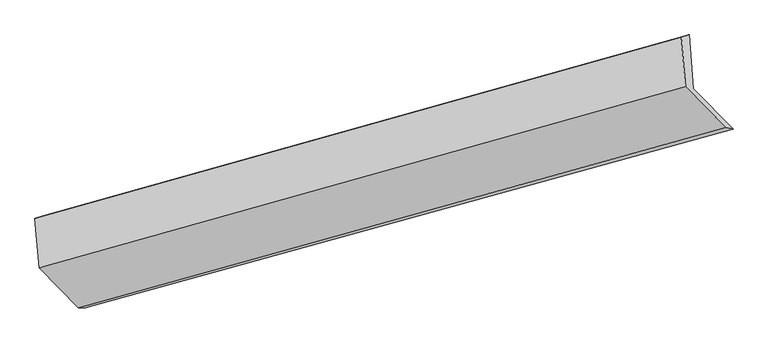
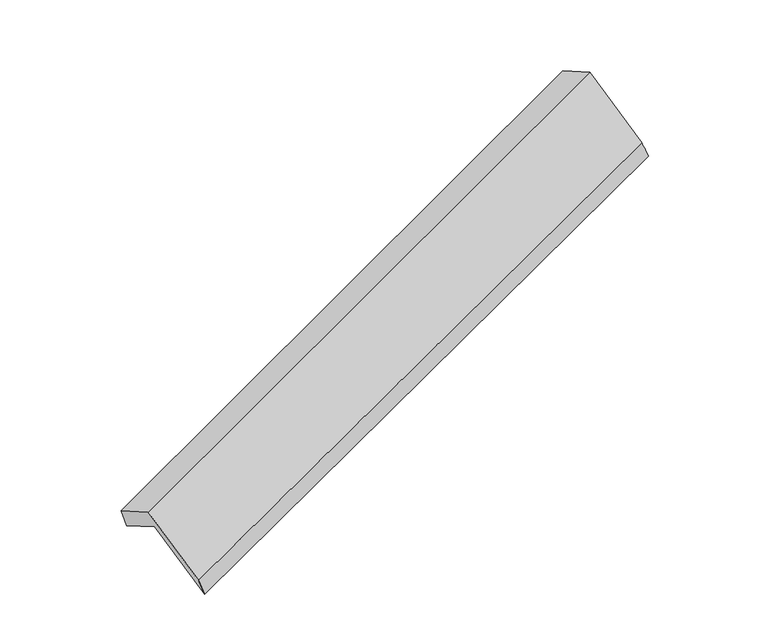
"""IFC4 building model written with IfcOpenShell, lengths in millimetres: proxy geometry."""

import ifcopenshell
import ifcopenshell.guid

model = None  # the IFC model being written
_history = None  # IfcOwnerHistory: only IFC2X3 demands one
_inside = {}  # id of a spatial element -> (the spatial element, [elements in it])
_under = {}  # id of a project, library or spatial element -> (it, [spatial elements below it])
_declared = {}  # id of a project -> (the project, [libraries it declares])
_typed = {}  # id of a type object -> (the type object, [elements of that type])
_made_of = {}  # id of a material, layer set ... -> (it, [elements and type objects made of it])


def new_model(schema):
    """Start an empty IFC model of exactly this schema.

    Asked for "IFC4X3", IfcOpenShell would pick the latest addendum, in which some entities
    have other attributes; the version numbers below select the first issue.
    IFC2X3 requires an IfcOwnerHistory on every rooted entity: one is made here for all.
    """
    global model, _history
    if schema == "IFC4X3":
        model = ifcopenshell.file(schema_version=(4, 3, 0, 0))
    else:
        model = ifcopenshell.file(schema=schema)
    _inside.clear()
    _under.clear()
    _declared.clear()
    _typed.clear()
    _made_of.clear()
    _history = None
    if model.schema == "IFC2X3":
        org = make("IfcOrganization", Name="unknown")
        user = make(
            "IfcPersonAndOrganization",
            ThePerson=make("IfcPerson", FamilyName="unknown"),
            TheOrganization=org,
        )
        app = make(
            "IfcApplication",
            ApplicationDeveloper=org,
            Version="unknown",
            ApplicationFullName="unknown",
            ApplicationIdentifier="unknown",
        )
        _history = make(
            "IfcOwnerHistory",
            OwningUser=user,
            OwningApplication=app,
            ChangeAction="ADDED",
            CreationDate=0,
        )
    return model


def make(cls, **values):
    """One entity of the class cls with the attributes given. An attribute that is None is left unset."""
    return model.create_entity(
        cls, **{name: value for name, value in values.items() if value is not None}
    )


def rooted(cls, **values):
    """An entity with a GlobalId (a new one), such as an element, a storey or a relation."""
    return make(cls, GlobalId=ifcopenshell.guid.new(), OwnerHistory=_history, **values)


def si_unit(unit_type, name, prefix=None):
    """IfcSIUnit, for example si_unit("LENGTHUNIT", "METRE", prefix="MILLI")."""
    return make("IfcSIUnit", UnitType=unit_type, Prefix=prefix, Name=name)


def assignment(units):
    """IfcUnitAssignment: the units of a project."""
    return None if units is None else make("IfcUnitAssignment", Units=units)


def point(xyz):
    """IfcCartesianPoint."""
    return None if xyz is None else make("IfcCartesianPoint", Coordinates=xyz)


def direction(xyz):
    """IfcDirection."""
    return None if xyz is None else make("IfcDirection", DirectionRatios=xyz)


def frame(location, z_axis=None, x_axis=None):
    """IfcAxis2Placement3D, a coordinate frame: its origin and axes. An axis left out is left unset."""
    return make(
        "IfcAxis2Placement3D",
        Location=point(location),
        Axis=direction(z_axis),
        RefDirection=direction(x_axis),
    )


def origin():
    """The frame at (0, 0, 0) with its axes left unset."""
    return frame((0.0, 0.0, 0.0))


def place(relative_to, where):
    """IfcLocalPlacement: puts the frame where relative to a parent placement (None: the world)."""
    return make(
        "IfcLocalPlacement", PlacementRelTo=relative_to, RelativePlacement=where
    )


def context(
    kind, dimensions, precision=None, world=None, true_north=None, identifier=None
):
    """IfcGeometricRepresentationContext, for example the 3D "Model" context."""
    return make(
        "IfcGeometricRepresentationContext",
        ContextIdentifier=identifier,
        ContextType=kind,
        CoordinateSpaceDimension=dimensions,
        Precision=precision,
        WorldCoordinateSystem=world,
        TrueNorth=true_north,
    )


def project(units=None, contexts=None):
    """IfcProject with its units and contexts."""
    return rooted(
        "IfcProject",
        Name="project",
        RepresentationContexts=contexts,
        UnitsInContext=assignment(units),
    )


def spatial(cls, under=None, at=None, **own):
    """A site, building, storey or space (cls), placed at a placement, below another one or the project."""
    s = rooted(cls, ObjectPlacement=at, **own)
    if under is not None:
        _under.setdefault(under.id(), (under, []))[1].append(s)
    return s


def shape(context_of_items, identifier, shape_type, items):
    """IfcShapeRepresentation: the items that make up one representation, for example the "Body"."""
    return make(
        "IfcShapeRepresentation",
        ContextOfItems=context_of_items,
        RepresentationIdentifier=identifier,
        RepresentationType=shape_type,
        Items=items,
    )


def source(mapping_origin, context_of_items, identifier, shape_type, items):
    """IfcRepresentationMap: a shape defined once, which mapped items show again and again."""
    return make(
        "IfcRepresentationMap",
        MappingOrigin=mapping_origin,
        MappedRepresentation=shape(context_of_items, identifier, shape_type, items),
    )


def transform(
    local_origin,
    x_axis=None,
    y_axis=None,
    z_axis=None,
    scale=None,
    scale2=None,
    scale3=None,
    uniform=True,
):
    """IfcCartesianTransformationOperator3D, or its non-uniform kind. x_axis, y_axis, z_axis: its Axis1, 2, 3."""
    if uniform:
        return make(
            "IfcCartesianTransformationOperator3D",
            Axis1=direction(x_axis),
            Axis2=direction(y_axis),
            LocalOrigin=point(local_origin),
            Scale=scale,
            Axis3=direction(z_axis),
        )
    return make(
        "IfcCartesianTransformationOperator3DnonUniform",
        Axis1=direction(x_axis),
        Axis2=direction(y_axis),
        LocalOrigin=point(local_origin),
        Scale=scale,
        Axis3=direction(z_axis),
        Scale2=scale2,
        Scale3=scale3,
    )


def mapped(mapping_source, mapping_target):
    """IfcMappedItem: shows the shape of a source again, moved by a transform."""
    return make(
        "IfcMappedItem", MappingSource=mapping_source, MappingTarget=mapping_target
    )


def made_of(thing, what):
    """Note that an element or type object is made of a material, layer set ...; save() writes the relation."""
    if what is not None:
        _made_of.setdefault(what.id(), (what, []))[1].append(thing)
    return thing


def element(
    cls,
    number,
    at=None,
    inside=None,
    cuts=None,
    type_object=None,
    material=None,
    context=None,
    identifier="Body",
    shape_type=None,
    held_by="IfcProductDefinitionShape",
    body=None,
    shapes=None,
    **own,
):
    """One element of the class cls, such as IfcWall. Its Tag is "e" and its number.

    at: its placement. inside: the storey or other place that contains it. cuts: it is an
    opening in that element (IfcRelVoidsElement). A single representation is given by context,
    identifier, shape_type and body (its items); several are given by shapes. held_by: the class
    of the entity that holds the representations. save() writes the other relations.
    """
    e = rooted(cls, Tag="e%d" % number, ObjectPlacement=at, **own)
    if body is not None:
        shapes = [shape(context, identifier, shape_type, body)]
    if shapes is not None:
        e.Representation = make(held_by, Representations=shapes)
    if inside is not None:
        _inside.setdefault(inside.id(), (inside, []))[1].append(e)
    if cuts is not None:
        rooted(
            "IfcRelVoidsElement", RelatingBuildingElement=cuts, RelatedOpeningElement=e
        )
    if type_object is not None:
        _typed.setdefault(type_object.id(), (type_object, []))[1].append(e)
    return made_of(e, material)


def aggregate(whole, parts):
    """IfcRelAggregates: a whole, such as a stair, and the parts it consists of."""
    return rooted("IfcRelAggregates", RelatingObject=whole, RelatedObjects=parts)


def save(model, path):
    """Write the relations noted so far, then the file.

    IfcRelAggregates (storeys below a building ...), IfcRelContainedInSpatialStructure (elements
    in a storey), IfcRelDefinesByType, IfcRelAssociatesMaterial and IfcRelDeclares: one each for
    every whole, place, type object, material and project.
    """
    for whole, parts in _under.values():
        aggregate(whole, parts)
    for where, things in _inside.values():
        rooted(
            "IfcRelContainedInSpatialStructure",
            RelatedElements=things,
            RelatingStructure=where,
        )
    for kind, things in _typed.values():
        rooted("IfcRelDefinesByType", RelatedObjects=things, RelatingType=kind)
    for what, things in _made_of.values():
        rooted("IfcRelAssociatesMaterial", RelatedObjects=things, RelatingMaterial=what)
    for by, libraries in _declared.values():
        rooted("IfcRelDeclares", RelatingContext=by, RelatedDefinitions=libraries)
    model.write(path)


def plane_surface(at):
    """IfcPlane: the flat surface through the origin of the frame at, square to its z axis."""
    return make("IfcPlane", Position=at)


def spline_surface(u_degree, v_degree, points, u_multiplicities, v_multiplicities, u_knots, v_knots, weights=None):
    """IfcBSplineSurfaceWithKnots; with weights, IfcRationalBSplineSurfaceWithKnots. points: one row for each step in u."""
    own = dict(
        UDegree=u_degree,
        VDegree=v_degree,
        ControlPointsList=[[point(p) for p in row] for row in points],
        SurfaceForm="UNSPECIFIED",
        UClosed=False,
        VClosed=False,
        SelfIntersect=False,
        UMultiplicities=u_multiplicities,
        VMultiplicities=v_multiplicities,
        UKnots=u_knots,
        VKnots=v_knots,
        KnotSpec="UNSPECIFIED",
    )
    if weights is None:
        return make("IfcBSplineSurfaceWithKnots", **own)
    return make("IfcRationalBSplineSurfaceWithKnots", WeightsData=weights, **own)


def advanced_brep(points, edges, surfaces, faces):
    """IfcAdvancedBrep: a solid bounded by faces that lie on surfaces and meet in shared edges.

    An edge is (start, end): straight between two places in points (the first is 0);
    or (start, end, curve); or (start, end, curve, False) where it runs against its curve.
    A face is (place in surfaces, loops), or (place, loops, False) where it looks against
    its surface's normal. A loop lists edges by number (the first is 1), with a minus sign
    where the edge is run from its end to its start. The first loop is the outer one.
    """
    corners = [point(p) for p in points]
    vertices = [make("IfcVertexPoint", VertexGeometry=c) for c in corners]
    made = []
    for start, end, *more in edges:
        made.append(
            make(
                "IfcEdgeCurve",
                EdgeStart=vertices[start],
                EdgeEnd=vertices[end],
                EdgeGeometry=more[0] if more else make("IfcPolyline", Points=[corners[start], corners[end]]),
                SameSense=more[1] if len(more) > 1 else True,
            )
        )
    hull = []
    for where, loops, *sense in faces:
        bounds = []
        for j, loop in enumerate(loops):
            ring = [make("IfcOrientedEdge", EdgeElement=made[abs(k) - 1], Orientation=k > 0) for k in loop]
            bounds.append(
                make(
                    "IfcFaceOuterBound" if j == 0 else "IfcFaceBound",
                    Bound=make("IfcEdgeLoop", EdgeList=ring),
                    Orientation=True,
                )
            )
        hull.append(make("IfcAdvancedFace", Bounds=bounds, FaceSurface=surfaces[where], SameSense=sense[0] if sense else True))
    return make("IfcAdvancedBrep", Outer=make("IfcClosedShell", CfsFaces=hull))


def generic_models_eaa96648(model_context):
    return source(origin(), model_context, "Body", "AdvancedBrep", [
        advanced_brep(
        [(-5125.1780742, -2152.8712181, 1297.5484573), (-5154.9384031, -1791.9468934, 1099.8462757), (-733.1709304, -551.3407943, 2699.0783223), (-702.6893127, -921.0126934, 2901.5721304), (-5206.9577736, -1806.8362915, 1257.016288), (-785.1903009, -566.2301924, 2856.2483346), (-5178.8251861, -2148.0198583, 1443.9051478), (-757.0577134, -907.4137592, 3043.1371944), (-4912.043698, -2419.2977395, 908.502402), (-482.1528695, -1186.9519089, 2491.4317171), (-4862.3195089, -2420.1600587, 770.0186102), (-431.7073916, -1196.5618026, 2357.7395518)],
        [
            (0, 1),
            (1, 2),
            (2, 3),
            (3, 0),
            (1, 4),
            (4, 5),
            (5, 2),
            (4, 6),
            (6, 7),
            (7, 5),
            (6, 8),
            (8, 9),
            (9, 7),
            (8, 10),
            (10, 11),
            (11, 9),
            (10, 0),
            (3, 11),
        ],
        [
            plane_surface(frame((-5140.0582387, -1972.4090557, 1198.6973665), z_axis=(0.4099108021071304, -0.4119677144699435, -0.813790966127236), x_axis=(-0.07212888500045121, 0.8747574418244407, -0.47916264662570685))),
            plane_surface(frame((-5180.9480883, -1799.3915925, 1178.4312819), z_axis=(-0.27067654981868544, 0.9626690040406121, 0.0016106016605491602), x_axis=(-0.3129490894778689, -0.08957477810587018, 0.9455364755112607))),
            plane_surface(frame((-5192.8914798, -1977.4280749, 1350.4607179), z_axis=(-0.4099108021071303, 0.41196771446994196, 0.8137909661272369), x_axis=(0.072128885000451, -0.8747574418244417, 0.479162646625705))),
            plane_surface(frame((-5045.434442, -2283.6587989, 1176.2037749), z_axis=(0.07212888500044481, -0.8747574418244366, 0.4791626466257156), x_axis=(0.40616778754499083, -0.4130134275558547, -0.8151365756849414))),
            spline_surface(1, 1, [[(-4912.043698, -2419.2977395, 908.502402), (-482.1528695, -1186.9519089, 2491.4317171)], [(-4862.3195089, -2420.1600587, 770.0186102), (-431.7073916, -1196.5618026, 2357.7395518)]], [2, 2], [2, 2], [0.0, 1.0], [0.0, 1.0]),
            plane_surface(frame((-4993.7487916, -2286.5156384, 1033.7835338), z_axis=(-0.07025549581977275, 0.8752767056998951, -0.47849227137567985), x_axis=(-0.4061677875449889, 0.41301342755583476, 0.8151365756849523))),
            plane_surface(frame((-648.6614197, -888.2518585, 2724.8678751), z_axis=(0.9109473927233072, 0.2534153243814637, 0.32550809676449893), x_axis=(0.3522346622622659, -0.06710091346349696, -0.9335031923423465))),
            plane_surface(frame((-5073.3771073, -2123.1886766, 1129.4728635), z_axis=(-0.9109473927233159, -0.2534153243813743, -0.3255080967645442), x_axis=(0.4061677875449854, -0.41301342755583287, -0.8151365756849551))),
        ],
        [
            (0, [[1, 2, 3, 4]]),
            (1, [[5, 6, 7, -2]]),
            (2, [[8, 9, 10, -6]]),
            (3, [[11, 12, 13, -9]]),
            (4, [[14, 15, 16, -12]]),
            (5, [[17, -4, 18, -15]]),
            (6, [[-16, -18, -3, -7, -10, -13]]),
            (7, [[-17, -14, -11, -8, -5, -1]]),
        ],
    ),
    ])


if __name__ == "__main__":
    model = new_model("IFC4")
    model_context = context("Model", 3, world=origin())
    ifc_project = project(units=[si_unit("LENGTHUNIT", "METRE", prefix="MILLI")], contexts=[model_context])
    site = spatial("IfcSite", under=ifc_project)
    building = spatial("IfcBuilding", under=site)
    placement = place(None, origin())
    generic_models_shape = generic_models_eaa96648(model_context)
    element("IfcBuildingElementProxy", 1, Name="Generic Models", at=placement, inside=building, context=model_context, shape_type="MappedRepresentation", body=[
        mapped(generic_models_shape, transform((0.0, 0.0, 0.0), x_axis=(1.0, 0.0, 0.0), y_axis=(0.0, 1.0, 0.0), z_axis=(0.0, 0.0, 1.0))),
    ])
    save(model, "model.ifc")
